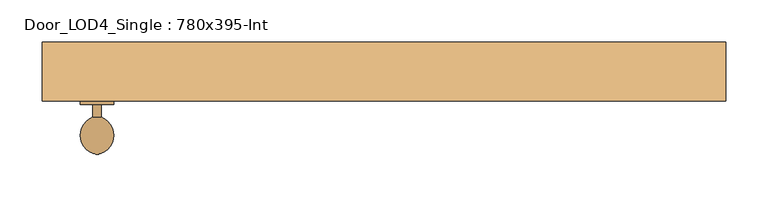
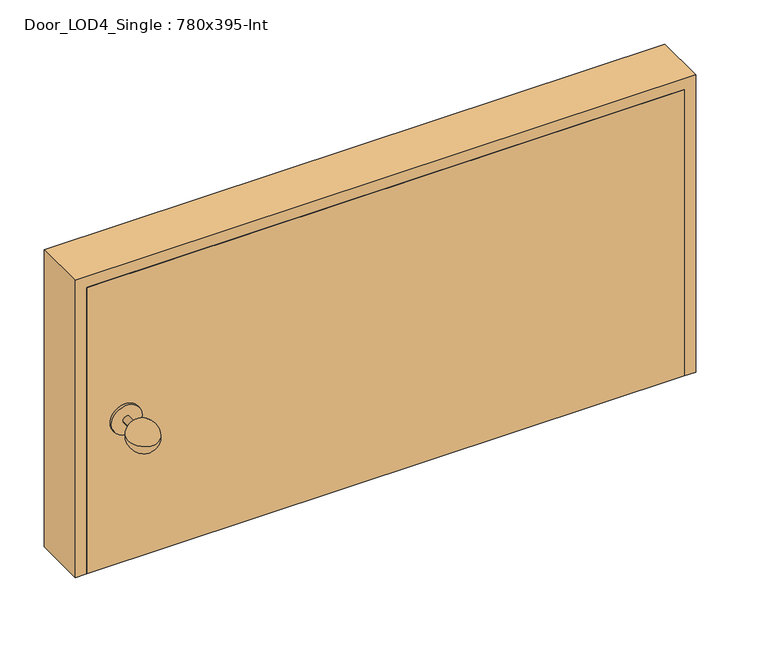
"""IFC4 building model written with IfcOpenShell, lengths in millimetres: door geometry, Door_LOD4_Single : 780x395-Int."""

from ifc_helpers import new_model, si_unit, point, frame, origin, origin_with_axes, place, context, project, spatial, polyline, circle_curve, ellipse_curve, trimmed, outline, extrude, source, transform, mapped, element, save
from ifc_brep_helpers import plane_surface, cylinder_surface, revolved_surface, advanced_brep


def door_lod4_single_780x395_int_e99a6524(model_context):
    return source(origin(), model_context, "Body", "SolidModel", [
        extrude(outline(polyline([(390.0000156, 5.0), (390.0000156, -35.0), (-390.0000156, -35.0), (-390.0000156, 5.0), (390.0000156, 5.0)])), origin_with_axes(), (0.0, 0.0, 1.0), 395.0000158),
        advanced_brep(
        [(-335.0000156, -54.0, 197.5000079), (-340.0000156, -98.437411, 197.5000079), (-345.0000156, -54.0, 197.5000079), (-335.0000156, -39.0, 197.5000079), (-345.0000156, -39.0, 197.5000079), (-360.0000156, -39.0, 197.5000079), (-320.0000156, -39.0, 197.5000079), (-360.0000156, -35.0, 197.5000079), (-320.0000156, -35.0, 197.5000079)],
        [
            (0, 1, circle_curve(frame((-343.1885018, -75.5786495, 197.5000079), z_axis=(0.0, 0.0, -1.0), x_axis=(0.0, 1.0, 0.0)), 23.0800654)),
            (1, 2, circle_curve(frame((-336.8115295, -75.5786495, 197.5000079), z_axis=(0.0, 0.0, -1.0), x_axis=(0.0, 1.0, 0.0)), 23.0800654)),
            (2, 0, circle_curve(frame((-340.0000156, -54.0, 197.5000079), z_axis=(0.0, -1.0, 0.0), x_axis=(-1.0, 0.0, 0.0)), 5.0)),
            (0, 3),
            (3, 4, circle_curve(frame((-340.0000156, -39.0, 197.5000079), z_axis=(0.0, -1.0, 0.0), x_axis=(-1.0, 0.0, 0.0)), 5.0)),
            (4, 2),
            (2, 0, circle_curve(frame((-340.0000156, -54.0, 197.5000079), z_axis=(0.0, 1.0, 0.0), x_axis=(-1.0, 0.0, 0.0)), 5.0)),
            (5, 6, circle_curve(frame((-340.0000156, -39.0, 197.5000079), z_axis=(0.0, -1.0, 0.0), x_axis=(1.0, 0.0, 0.0)), 20.0)),
            (6, 5, circle_curve(frame((-340.0000156, -39.0, 197.5000079), z_axis=(0.0, -1.0, 0.0), x_axis=(1.0, 0.0, 0.0)), 20.0)),
            (3, 4, circle_curve(frame((-340.0000156, -39.0, 197.5000079), z_axis=(0.0, 1.0, 0.0), x_axis=(-1.0, 0.0, 0.0)), 5.0)),
            (7, 8, circle_curve(frame((-340.0000156, -35.0, 197.5000079), z_axis=(0.0, 1.0, 0.0), x_axis=(1.0, 0.0, 0.0)), 20.0)),
            (8, 7, circle_curve(frame((-340.0000156, -35.0, 197.5000079), z_axis=(0.0, 1.0, 0.0), x_axis=(1.0, 0.0, 0.0)), 20.0)),
            (8, 6),
            (5, 7),
        ],
        [
            revolved_surface(trimmed(ellipse_curve(frame((-336.8115295, -75.5786495, 197.5000079), z_axis=(0.0, 0.0, -1.0), x_axis=(0.0, 1.0, 0.0)), 23.0800654, 23.0800654), [point((-340.0000156, -98.437411, 197.5000079))], [point((-345.0000156, -54.0, 197.5000079))], True, "CARTESIAN"), (-340.0000156, -39.0, 197.5000079), (0.0, 1.0, 0.0)),
            cylinder_surface(frame((-340.0000156, -39.0, 197.5000079), z_axis=(0.0, 1.0, 0.0), x_axis=(-1.0, 0.0, 0.0)), 5.0),
            plane_surface(frame((-320.0000156, -39.0, 197.5000079), z_axis=(0.0, -1.0, 0.0), x_axis=(0.0, 0.0, -1.0))),
            plane_surface(frame((-320.0000156, -35.0, 197.5000079), z_axis=(0.0, 1.0, 0.0), x_axis=(0.0, 0.0, 1.0))),
            cylinder_surface(frame((-340.0000156, -39.0, 197.5000079), z_axis=(0.0, 1.0, 0.0), x_axis=(1.0, 0.0, 0.0)), 20.0),
        ],
        [
            (0, [[1, 2, 3]]),
            (1, [[4, 5, 6, 7]]),
            (2, [[8, 9], [-5, 10]]),
            (0, [[-1, -7, -2]]),
            (1, [[-6, -10, -4, -3]]),
            (3, [[11, 12]]),
            (4, [[13, -8, 14, -12]]),
            (4, [[-14, -9, -13, -11]]),
        ],
    ),
        extrude(outline(polyline([(410.0000158, -405.0000156), (0.0, -405.0000156), (0.0, -390.0000156), (395.0000158, -390.0000156), (395.0000158, 390.0000156), (0.0, 390.0000156), (0.0, 405.0000156), (410.0000158, 405.0000156), (410.0000158, -405.0000156)])), frame((0.0, -35.0, 0.0), z_axis=(0.0, 1.0, 0.0), x_axis=(0.0, 0.0, 1.0)), (0.0, 0.0, 1.0), 70.0),
    ])


if __name__ == "__main__":
    model = new_model("IFC4")
    model_context = context("Model", 3, world=origin())
    ifc_project = project(units=[si_unit("LENGTHUNIT", "METRE", prefix="MILLI")], contexts=[model_context])
    site = spatial("IfcSite", under=ifc_project)
    building = spatial("IfcBuilding", under=site)
    placement = place(None, origin())
    door_lod4_single_780x395_int_shape = door_lod4_single_780x395_int_e99a6524(model_context)
    element("IfcDoor", 1, ObjectType="Door_LOD4_Single : 780x395-Int", at=placement, inside=building, context=model_context, shape_type="MappedRepresentation", body=[
        mapped(door_lod4_single_780x395_int_shape, transform((0.0, 0.0, 0.0), x_axis=(1.0, 0.0, 0.0), y_axis=(0.0, 1.0, 0.0), z_axis=(0.0, 0.0, 1.0))),
    ])
    save(model, "model.ifc")
